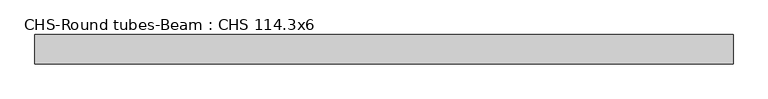
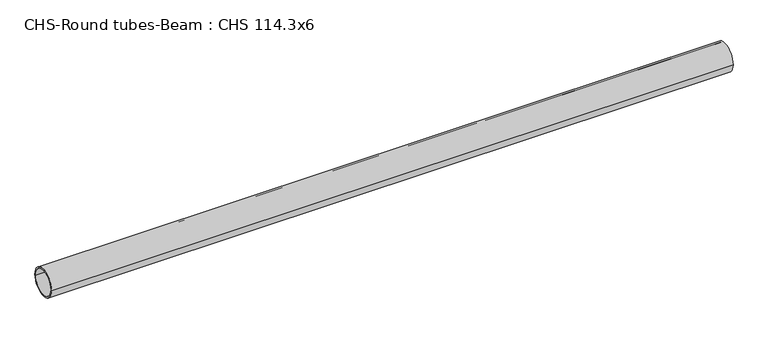
"""IFC4 building model written with IfcOpenShell, lengths in millimetres: beam geometry, CHS-Round tubes-Beam : CHS 114.3x6."""

from ifc_helpers import new_model, si_unit, point, frame, origin, origin_2d, place, context, project, spatial, circle_curve, trimmed, segment, composite_curve, outline, extrude, source, transform, mapped, element, save


def chs_round_tubes_beam_chs_114_3x6_aa27af7f(model_context):
    return source(origin(), model_context, "Body", "SweptSolid", [
        extrude(outline(composite_curve([segment(trimmed(circle_curve(origin_2d(), 57.15), [point((57.15, 0.0))], [point((-57.15, 0.0))], False, "CARTESIAN"), True, "CONTINUOUS"), segment(trimmed(circle_curve(origin_2d(), 57.15), [point((-57.15, 0.0))], [point((57.15, 0.0))], False, "CARTESIAN"), True, "CONTINUOUS")], self_intersect=False), holes=[composite_curve([segment(trimmed(circle_curve(origin_2d(), 51.15), [point((51.15, 0.0))], [point((-51.15, 0.0))], True, "CARTESIAN"), True, "CONTINUOUS"), segment(trimmed(circle_curve(origin_2d(), 51.15), [point((-51.15, 0.0))], [point((51.15, 0.0))], True, "CARTESIAN"), True, "CONTINUOUS")], self_intersect=False)]), frame((-1361.3863215, 0.0, 0.0), z_axis=(1.0, 0.0, 0.0), x_axis=(0.0, 1.0, 0.0)), (0.0, 0.0, 1.0), 2731.5292864),
    ])


if __name__ == "__main__":
    model = new_model("IFC4")
    model_context = context("Model", 3, world=origin())
    ifc_project = project(units=[si_unit("LENGTHUNIT", "METRE", prefix="MILLI")], contexts=[model_context])
    site = spatial("IfcSite", under=ifc_project)
    building = spatial("IfcBuilding", under=site)
    placement = place(None, origin())
    chs_round_tubes_beam_chs_114_3x6_shape = chs_round_tubes_beam_chs_114_3x6_aa27af7f(model_context)
    element("IfcBeam", 1, ObjectType="CHS-Round tubes-Beam : CHS 114.3x6", at=placement, inside=building, context=model_context, shape_type="MappedRepresentation", body=[
        mapped(chs_round_tubes_beam_chs_114_3x6_shape, transform((0.0, 0.0, 0.0), x_axis=(1.0, 0.0, 0.0), y_axis=(0.0, 1.0, 0.0), z_axis=(0.0, 0.0, 1.0))),
    ])
    save(model, "model.ifc")
